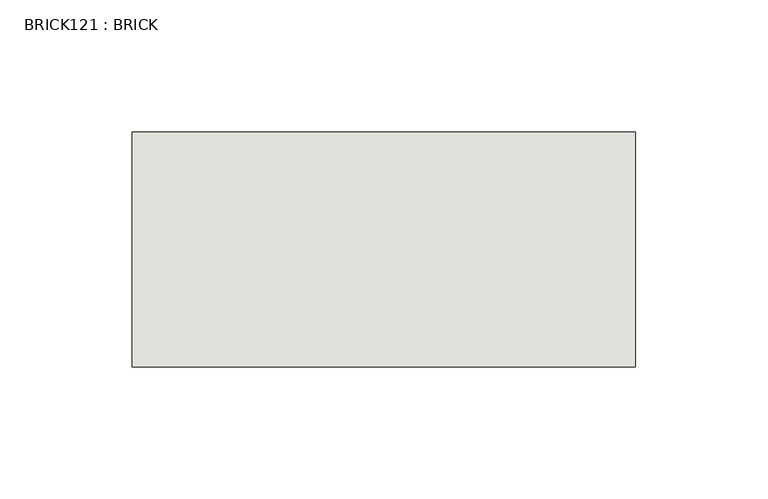
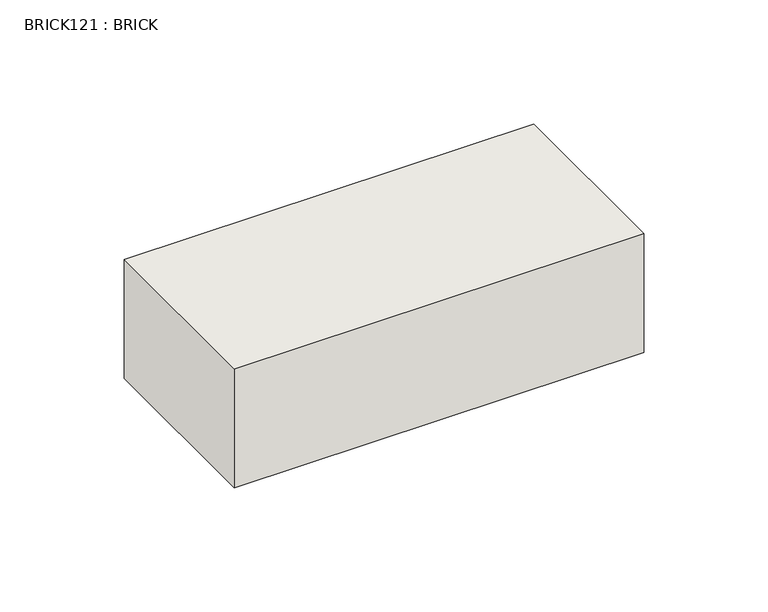
"""IFC4 building model written with IfcOpenShell, lengths in millimetres: wall geometry, BRICK121 : BRICK."""

from ifc_helpers import new_model, si_unit, frame, origin, place, context, project, spatial, polyline, outline, extrude, source, transform, mapped, element, save


def brick121_brick_e5b909e7(model_context):
    return source(origin(), model_context, "Body", "SweptSolid", [
        extrude(outline(polyline([(631.6530711, 2586.2274125), (822.1530711, 2586.2274125), (822.1530711, 2497.3274125), (631.6530711, 2497.3274125), (631.6530711, 2586.2274125)])), frame((0.0, 0.0, 493.4148438), z_axis=(0.0, 0.0, 1.0), x_axis=(1.0, 0.0, 0.0)), (0.0, 0.0, 1.0), 58.4398437),
    ])


if __name__ == "__main__":
    model = new_model("IFC4")
    model_context = context("Model", 3, world=origin())
    ifc_project = project(units=[si_unit("LENGTHUNIT", "METRE", prefix="MILLI")], contexts=[model_context])
    site = spatial("IfcSite", under=ifc_project)
    building = spatial("IfcBuilding", under=site)
    placement = place(None, origin())
    brick121_brick_shape = brick121_brick_e5b909e7(model_context)
    element("IfcWall", 1, ObjectType="BRICK121 : BRICK", at=placement, inside=building, context=model_context, shape_type="MappedRepresentation", body=[
        mapped(brick121_brick_shape, transform((0.0, 0.0, 0.0), x_axis=(1.0, 0.0, 0.0), y_axis=(0.0, 1.0, 0.0), z_axis=(0.0, 0.0, 1.0))),
    ])
    save(model, "model.ifc")
